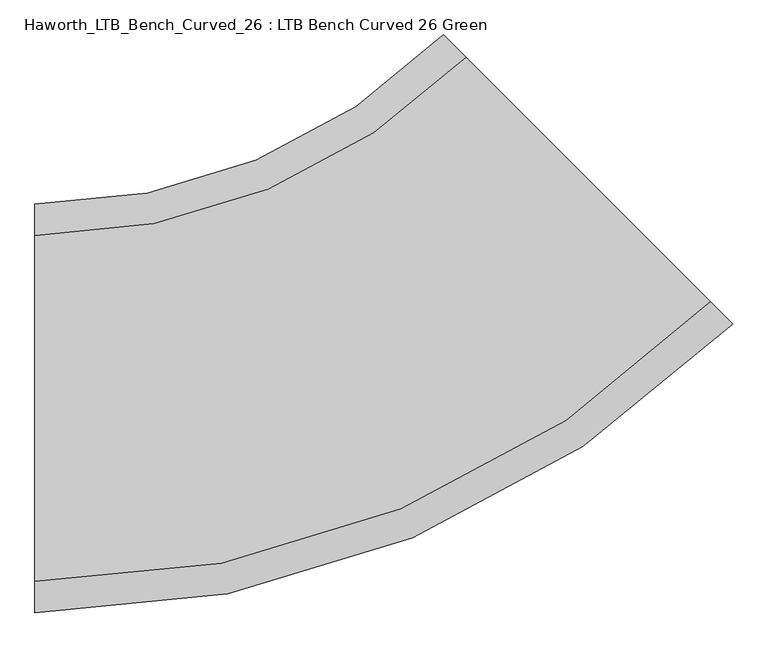
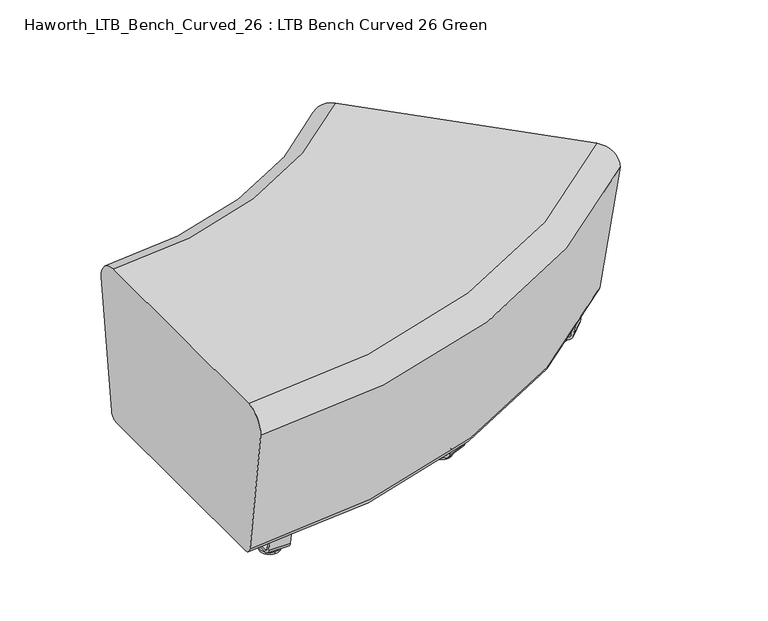
"""IFC4 building model written with IfcOpenShell, lengths in millimetres: furniture geometry, Haworth_LTB_Bench_Curved_26 : LTB Bench Curved 26 Green."""

from ifc_helpers import new_model, si_unit, point, frame, frame_2d, origin, place, context, project, spatial, polyline, circle_curve, ellipse_curve, trimmed, segment, composite_curve, outline, extrude, source, transform, mapped, element, save
from ifc_brep_helpers import plane_surface, cylinder_surface, revolved_surface, advanced_brep


def haworth_ltb_bench_curved_26_ltb_bench_curved_26_green_5fcd3b9e(model_context):
    return source(origin(), model_context, "Body", "SolidModel", [
        advanced_brep(
        [(389.9431514, 298.4142763, 7.8133431), (391.1807584, 295.4264285, 7.8133431), (385.0604846, 310.2020767, 7.8133431), (386.2980917, 307.2142289, 7.8133431), (396.5162663, 282.5453731, 4.0775), (379.7249767, 323.0831321, 4.0775), (396.3591551, 282.924673, 0.0), (379.8820879, 322.7038322, 0.0), (388.1206215, 302.8142526, 0.0), (388.1206215, 302.8142526, 50.0000004), (389.9431514, 298.4142763, 50.0000004), (386.2980917, 307.2142289, 50.0000004)],
        [
            (0, 1),
            (1, 2, circle_curve(frame((388.1206215, 302.8142526, 7.8133431), z_axis=(0.0, 0.0, 1.0), x_axis=(-0.38268343236511054, 0.9238795325112782, 0.0)), 7.9965232)),
            (2, 3),
            (3, 0, circle_curve(frame((388.1206215, 302.8142526, 7.8133431), z_axis=(0.0, 0.0, -1.0), x_axis=(-0.38268343236511054, 0.9238795325112782, 0.0)), 4.7625)),
            (2, 1, circle_curve(frame((388.1206215, 302.8142526, 7.8133431), z_axis=(0.0, 0.0, 1.0), x_axis=(-0.38268343236511054, 0.9238795325112782, 0.0)), 7.9965232)),
            (0, 3, circle_curve(frame((388.1206215, 302.8142526, 7.8133431), z_axis=(0.0, 0.0, -1.0), x_axis=(-0.38268343236511054, 0.9238795325112782, 0.0)), 4.7625)),
            (1, 4),
            (4, 5, circle_curve(frame((388.1206215, 302.8142526, 4.0775), z_axis=(0.0, 0.0, 1.0), x_axis=(-0.38268343236511054, 0.9238795325112782, 0.0)), 21.9388771)),
            (5, 2),
            (5, 4, circle_curve(frame((388.1206215, 302.8142526, 4.0775), z_axis=(0.0, 0.0, 1.0), x_axis=(-0.38268343236511054, 0.9238795325112782, 0.0)), 21.9388771)),
            (4, 6, circle_curve(frame((396.3106416, 283.041795, 2.0721829), z_axis=(0.923879532511277, 0.38268343236511354, 0.0), x_axis=(-0.38268343236511354, 0.923879532511277, 0.0)), 2.0760571)),
            (6, 7, circle_curve(frame((388.1206215, 302.8142526, 0.0), z_axis=(0.0, 0.0, 1.0), x_axis=(-0.38268343236511054, 0.9238795325112782, 0.0)), 21.5283258)),
            (7, 5, circle_curve(frame((379.9306014, 322.5867102, 2.0721829), z_axis=(0.9238795325112782, 0.38268343236511054, 0.0), x_axis=(0.38268343236511054, -0.9238795325112782, 0.0)), 2.0760571)),
            (7, 6, circle_curve(frame((388.1206215, 302.8142526, 0.0), z_axis=(0.0, 0.0, 1.0), x_axis=(-0.38268343236511054, 0.9238795325112782, 0.0)), 21.5283258)),
            (6, 8),
            (8, 7),
            (9, 10),
            (10, 11, circle_curve(frame((388.1206215, 302.8142526, 50.0000004), z_axis=(0.0, 0.0, 1.0), x_axis=(-0.38268343236511054, 0.9238795325112782, 0.0)), 4.7625)),
            (11, 9),
            (11, 10, circle_curve(frame((388.1206215, 302.8142526, 50.0000004), z_axis=(0.0, 0.0, 1.0), x_axis=(-0.38268343236511054, 0.9238795325112782, 0.0)), 4.7625)),
            (10, 0),
            (3, 11),
        ],
        [
            plane_surface(frame((388.1206215, 302.8142526, 7.8133431), z_axis=(0.0, 0.0, 1.0), x_axis=(-0.38268343236511054, 0.9238795325112782, 0.0))),
            revolved_surface(polyline([(379.7249767, 323.0831321, 4.0775), (385.0604846, 310.2020767, 7.8133431)]), (388.1206215, 302.8142526, 0.0), (0.0, 0.0, 1.0)),
            revolved_surface(trimmed(ellipse_curve(frame((379.9306014, 322.5867102, 2.0721829), z_axis=(0.9238795325112782, 0.38268343236511054, 0.0), x_axis=(0.38268343236511054, -0.9238795325112782, 0.0)), 2.0760571, 2.0760571), [point((379.8820879, 322.7038322, 0.0))], [point((379.7249767, 323.0831321, 4.0775))], True, "CARTESIAN"), (388.1206215, 302.8142526, 0.0), (0.0, 0.0, 1.0)),
            plane_surface(frame((388.1206215, 302.8142526, 0.0), z_axis=(0.0, 0.0, -1.0), x_axis=(-0.38268343236511054, 0.9238795325112782, 0.0))),
            plane_surface(frame((388.1206215, 302.8142526, 50.0000004), z_axis=(0.0, 0.0, 1.0), x_axis=(-0.38268343236511054, 0.9238795325112782, 0.0))),
            cylinder_surface(frame((388.1206215, 302.8142526, 0.0), z_axis=(0.0, 0.0, 1.0), x_axis=(-0.38268343236511054, 0.9238795325112782, 0.0)), 4.7625),
        ],
        [
            (0, [[1, 2, 3, 4]]),
            (0, [[-3, 5, -1, 6]]),
            (1, [[7, 8, 9, -2]]),
            (1, [[-9, 10, -7, -5]]),
            (2, [[11, 12, 13, -8]]),
            (2, [[-13, 14, -11, -10]]),
            (3, [[15, 16, -12]]),
            (3, [[-16, -15, -14]]),
            (4, [[17, 18, 19]]),
            (4, [[-19, 20, -17]]),
            (5, [[21, -4, 22, -18]]),
            (5, [[-22, -6, -21, -20]]),
        ],
    ),
        advanced_brep(
        [(552.705699, -94.5292735, 7.8133431), (553.9433061, -97.5171213, 7.8133431), (557.5883658, -106.3170739, 7.8133431), (558.8259728, -109.3049217, 7.8133431), (547.3701911, -81.6482181, 4.0775), (564.1614807, -122.1859771, 4.0775), (547.5273023, -82.027518, 0.0), (564.0043695, -121.8066772, 0.0), (555.7658359, -101.9170976, 0.0), (553.9433061, -97.5171213, 50.0000004), (555.7658359, -101.9170976, 50.0000004), (557.5883658, -106.3170739, 50.0000004)],
        [
            (0, 1),
            (1, 2, circle_curve(frame((555.7658359, -101.9170976, 7.8133431), z_axis=(0.0, 0.0, -1.0), x_axis=(0.3826834323651135, -0.923879532511277, 0.0)), 4.7625)),
            (2, 3),
            (3, 0, circle_curve(frame((555.7658359, -101.9170976, 7.8133431), z_axis=(0.0, 0.0, 1.0), x_axis=(0.3826834323651135, -0.923879532511277, 0.0)), 7.9965232)),
            (2, 1, circle_curve(frame((555.7658359, -101.9170976, 7.8133431), z_axis=(0.0, 0.0, -1.0), x_axis=(0.3826834323651135, -0.923879532511277, 0.0)), 4.7625)),
            (0, 3, circle_curve(frame((555.7658359, -101.9170976, 7.8133431), z_axis=(0.0, 0.0, 1.0), x_axis=(0.3826834323651135, -0.923879532511277, 0.0)), 7.9965232)),
            (4, 0),
            (3, 5),
            (5, 4, circle_curve(frame((555.7658359, -101.9170976, 4.0775), z_axis=(0.0, 0.0, 1.0), x_axis=(0.3826834323651135, -0.923879532511277, 0.0)), 21.9388771)),
            (4, 5, circle_curve(frame((555.7658359, -101.9170976, 4.0775), z_axis=(0.0, 0.0, 1.0), x_axis=(0.3826834323651135, -0.923879532511277, 0.0)), 21.9388771)),
            (6, 4, circle_curve(frame((547.5758158, -82.14464, 2.0721829), z_axis=(0.9238795325112782, 0.3826834323651105, 0.0), x_axis=(0.3826834323651105, -0.9238795325112782, 0.0)), 2.0760571)),
            (5, 7, circle_curve(frame((563.955856, -121.6895552, 2.0721829), z_axis=(0.923879532511277, 0.3826834323651135, 0.0), x_axis=(-0.3826834323651135, 0.923879532511277, 0.0)), 2.0760571)),
            (7, 6, circle_curve(frame((555.7658359, -101.9170976, 0.0), z_axis=(0.0, 0.0, 1.0), x_axis=(0.3826834323651135, -0.923879532511277, 0.0)), 21.5283258)),
            (6, 7, circle_curve(frame((555.7658359, -101.9170976, 0.0), z_axis=(0.0, 0.0, 1.0), x_axis=(0.3826834323651135, -0.923879532511277, 0.0)), 21.5283258)),
            (8, 6),
            (7, 8),
            (9, 10),
            (10, 11),
            (11, 9, circle_curve(frame((555.7658359, -101.9170976, 50.0000004), z_axis=(0.0, 0.0, 1.0), x_axis=(0.3826834323651135, -0.923879532511277, 0.0)), 4.7625)),
            (9, 11, circle_curve(frame((555.7658359, -101.9170976, 50.0000004), z_axis=(0.0, 0.0, 1.0), x_axis=(0.3826834323651135, -0.923879532511277, 0.0)), 4.7625)),
            (1, 9),
            (11, 2),
        ],
        [
            plane_surface(frame((555.7658359, -101.9170976, 7.8133431), z_axis=(0.0, 0.0, 1.0), x_axis=(0.3826834323651135, -0.923879532511277, 0.0))),
            revolved_surface(polyline([(558.8259728, -109.3049217, 7.8133431), (564.1614807, -122.1859771, 4.0775)]), (555.7658359, -101.9170976, 0.0), (0.0, 0.0, -1.0)),
            revolved_surface(trimmed(ellipse_curve(frame((563.955856, -121.6895552, 2.0721829), z_axis=(0.923879532511277, 0.3826834323651135, 0.0), x_axis=(-0.3826834323651135, 0.923879532511277, 0.0)), 2.0760571, 2.0760571), [point((564.1614807, -122.1859771, 4.0775))], [point((564.0043695, -121.8066772, 0.0))], True, "CARTESIAN"), (555.7658359, -101.9170976, 0.0), (0.0, 0.0, -1.0)),
            plane_surface(frame((555.7658359, -101.9170976, 0.0), z_axis=(0.0, 0.0, -1.0), x_axis=(0.3826834323651135, -0.923879532511277, 0.0))),
            plane_surface(frame((555.7658359, -101.9170976, 50.0000004), z_axis=(0.0, 0.0, 1.0), x_axis=(0.3826834323651135, -0.923879532511277, 0.0))),
            cylinder_surface(frame((555.7658359, -101.9170976, 0.0), z_axis=(0.0, 0.0, -1.0), x_axis=(0.3826834323651135, -0.923879532511277, 0.0)), 4.7625),
        ],
        [
            (0, [[1, 2, 3, 4]]),
            (0, [[-3, 5, -1, 6]]),
            (1, [[7, -4, 8, 9]]),
            (1, [[-8, -6, -7, 10]]),
            (2, [[11, -9, 12, 13]]),
            (2, [[-12, -10, -11, 14]]),
            (3, [[15, -13, 16]]),
            (3, [[-16, -14, -15]]),
            (4, [[17, 18, 19]]),
            (4, [[-18, -17, 20]]),
            (5, [[21, -19, 22, -2]]),
            (5, [[-22, -20, -21, -5]]),
        ],
    ),
        extrude(outline(composite_curve([segment(polyline([(0.0, 0.0), (1.1e-06, 5.6900075), (35.4274256, 5.6900006)]), True, "CONTINUOUS"), segment(trimmed(circle_curve(frame_2d((35.4274274, 15.0000026)), 9.310002), [point((35.4274256, 5.6900006))], [point((44.6468251, 13.7043008))], True, "CARTESIAN"), True, "CONTINUOUS"), segment(polyline([(44.6468251, 13.7043008), (112.8503596, 498.9976978)]), True, "CONTINUOUS"), segment(trimmed(circle_curve(frame_2d((103.6309619, 500.2933995)), 9.310002), [point((112.8503596, 498.9976978))], [point((106.1971444, 509.2427484))], True, "CARTESIAN"), True, "CONTINUOUS"), segment(polyline([(106.1971444, 509.2427484), (72.1421162, 519.0078628), (73.7104936, 524.4774494), (107.765524, 514.7123272)]), True, "CONTINUOUS"), segment(trimmed(circle_curve(frame_2d((103.6309637, 500.2934007)), 15.000001), [point((107.765524, 514.7123272))], [point((118.4849857, 498.2058042))], False, "CARTESIAN"), True, "CONTINUOUS"), segment(polyline([(118.4849857, 498.2058042), (50.2814508, 12.9124045)]), True, "CONTINUOUS"), segment(trimmed(circle_curve(frame_2d((35.4274288, 15.000001)), 15.000001), [point((50.2814508, 12.9124045))], [point((35.4274288, 0.0))], False, "CARTESIAN"), True, "CONTINUOUS"), segment(polyline([(35.4274288, 0.0), (0.0, 0.0)]), True, "CONTINUOUS")], self_intersect=False)), frame((549.817344, -153.9295664, 62.9950557), z_axis=(0.9238795325112771, 0.38268343236511354, 0.0), x_axis=(-0.053259236495432585, 0.12857917106890013, -0.9902680700169819)), (0.0, 0.0, 1.0), 50.8),
        advanced_brep(
        [(662.5433137, 445.7133567, 7.8133431), (664.8301134, 443.426557, 7.8133431), (653.5213219, 454.7353485, 7.8133431), (655.8081216, 452.4485488, 7.8133431), (674.6888464, 433.567824, 4.0775), (643.6625889, 464.5940815, 4.0775), (674.3985428, 433.8581276, 0.0), (643.9528925, 464.3037779, 0.0), (659.1757176, 449.0809528, 0.0), (659.1757176, 449.0809528, 50.0000004), (662.5433137, 445.7133567, 50.0000004), (655.8081216, 452.4485488, 50.0000004)],
        [
            (0, 1),
            (1, 2, circle_curve(frame((659.1757176, 449.0809528, 7.8133431), z_axis=(0.0, 0.0, 1.0), x_axis=(-0.7071067811865458, 0.7071067811865493, 0.0)), 7.9965232)),
            (2, 3),
            (3, 0, circle_curve(frame((659.1757176, 449.0809528, 7.8133431), z_axis=(0.0, 0.0, -1.0), x_axis=(-0.7071067811865458, 0.7071067811865493, 0.0)), 4.7625)),
            (2, 1, circle_curve(frame((659.1757176, 449.0809528, 7.8133431), z_axis=(0.0, 0.0, 1.0), x_axis=(-0.7071067811865458, 0.7071067811865493, 0.0)), 7.9965232)),
            (0, 3, circle_curve(frame((659.1757176, 449.0809528, 7.8133431), z_axis=(0.0, 0.0, -1.0), x_axis=(-0.7071067811865458, 0.7071067811865493, 0.0)), 4.7625)),
            (1, 4),
            (4, 5, circle_curve(frame((659.1757176, 449.0809528, 4.0775), z_axis=(0.0, 0.0, 1.0), x_axis=(-0.7071067811865458, 0.7071067811865493, 0.0)), 21.9388771)),
            (5, 2),
            (5, 4, circle_curve(frame((659.1757176, 449.0809528, 4.0775), z_axis=(0.0, 0.0, 1.0), x_axis=(-0.7071067811865458, 0.7071067811865493, 0.0)), 21.9388771)),
            (4, 6, circle_curve(frame((674.3089015, 433.9477689, 2.0721829), z_axis=(0.707106781186547, 0.7071067811865481, 0.0), x_axis=(-0.7071067811865481, 0.707106781186547, 0.0)), 2.0760571)),
            (6, 7, circle_curve(frame((659.1757176, 449.0809528, 0.0), z_axis=(0.0, 0.0, 1.0), x_axis=(-0.7071067811865458, 0.7071067811865493, 0.0)), 21.5283258)),
            (7, 5, circle_curve(frame((644.0425338, 464.2141367, 2.0721829), z_axis=(0.7071067811865493, 0.7071067811865458, 0.0), x_axis=(0.7071067811865458, -0.7071067811865493, 0.0)), 2.0760571)),
            (7, 6, circle_curve(frame((659.1757176, 449.0809528, 0.0), z_axis=(0.0, 0.0, 1.0), x_axis=(-0.7071067811865458, 0.7071067811865493, 0.0)), 21.5283258)),
            (6, 8),
            (8, 7),
            (9, 10),
            (10, 11, circle_curve(frame((659.1757176, 449.0809528, 50.0000004), z_axis=(0.0, 0.0, 1.0), x_axis=(-0.7071067811865458, 0.7071067811865493, 0.0)), 4.7625)),
            (11, 9),
            (11, 10, circle_curve(frame((659.1757176, 449.0809528, 50.0000004), z_axis=(0.0, 0.0, 1.0), x_axis=(-0.7071067811865458, 0.7071067811865493, 0.0)), 4.7625)),
            (10, 0),
            (3, 11),
        ],
        [
            plane_surface(frame((659.1757176, 449.0809528, 7.8133431), z_axis=(0.0, 0.0, 1.0), x_axis=(-0.7071067811865458, 0.7071067811865493, 0.0))),
            revolved_surface(polyline([(643.6625889, 464.5940815, 4.0775), (653.5213219, 454.7353485, 7.8133431)]), (659.1757176, 449.0809528, 0.0), (0.0, 0.0, 1.0)),
            revolved_surface(trimmed(ellipse_curve(frame((644.0425338, 464.2141367, 2.0721829), z_axis=(0.7071067811865493, 0.7071067811865458, 0.0), x_axis=(0.7071067811865458, -0.7071067811865493, 0.0)), 2.0760571, 2.0760571), [point((643.9528925, 464.3037779, 0.0))], [point((643.6625889, 464.5940815, 4.0775))], True, "CARTESIAN"), (659.1757176, 449.0809528, 0.0), (0.0, 0.0, 1.0)),
            plane_surface(frame((659.1757176, 449.0809528, 0.0), z_axis=(0.0, 0.0, -1.0), x_axis=(-0.7071067811865458, 0.7071067811865493, 0.0))),
            plane_surface(frame((659.1757176, 449.0809528, 50.0000004), z_axis=(0.0, 0.0, 1.0), x_axis=(-0.7071067811865458, 0.7071067811865493, 0.0))),
            cylinder_surface(frame((659.1757176, 449.0809528, 0.0), z_axis=(0.0, 0.0, 1.0), x_axis=(-0.7071067811865458, 0.7071067811865493, 0.0)), 4.7625),
        ],
        [
            (0, [[1, 2, 3, 4]]),
            (0, [[-3, 5, -1, 6]]),
            (1, [[7, 8, 9, -2]]),
            (1, [[-9, 10, -7, -5]]),
            (2, [[11, 12, 13, -8]]),
            (2, [[-13, 14, -11, -10]]),
            (3, [[15, 16, -12]]),
            (3, [[-16, -15, -14]]),
            (4, [[17, 18, 19]]),
            (4, [[-19, 20, -17]]),
            (5, [[21, -4, 22, -18]]),
            (5, [[-22, -6, -21, -20]]),
        ],
    ),
        advanced_brep(
        [(963.2892865, 144.9673839, 7.8133431), (965.5760862, 142.6805842, 7.8133431), (972.3112783, 135.9453921, 7.8133431), (974.598078, 133.6585924, 7.8133431), (953.4305535, 154.8261169, 4.0775), (984.456811, 123.7998594, 4.0775), (953.7208571, 154.5358134, 0.0), (984.1665074, 124.090163, 0.0), (968.9436822, 139.3129882, 0.0), (965.5760862, 142.6805842, 50.0000004), (968.9436822, 139.3129882, 50.0000004), (972.3112783, 135.9453921, 50.0000004)],
        [
            (0, 1),
            (1, 2, circle_curve(frame((968.9436822, 139.3129882, 7.8133431), z_axis=(0.0, 0.0, -1.0), x_axis=(0.707106781186548, -0.7071067811865471, 0.0)), 4.7625)),
            (2, 3),
            (3, 0, circle_curve(frame((968.9436822, 139.3129882, 7.8133431), z_axis=(0.0, 0.0, 1.0), x_axis=(0.707106781186548, -0.7071067811865471, 0.0)), 7.9965232)),
            (2, 1, circle_curve(frame((968.9436822, 139.3129882, 7.8133431), z_axis=(0.0, 0.0, -1.0), x_axis=(0.707106781186548, -0.7071067811865471, 0.0)), 4.7625)),
            (0, 3, circle_curve(frame((968.9436822, 139.3129882, 7.8133431), z_axis=(0.0, 0.0, 1.0), x_axis=(0.707106781186548, -0.7071067811865471, 0.0)), 7.9965232)),
            (4, 0),
            (3, 5),
            (5, 4, circle_curve(frame((968.9436822, 139.3129882, 4.0775), z_axis=(0.0, 0.0, 1.0), x_axis=(0.707106781186548, -0.7071067811865471, 0.0)), 21.9388771)),
            (4, 5, circle_curve(frame((968.9436822, 139.3129882, 4.0775), z_axis=(0.0, 0.0, 1.0), x_axis=(0.707106781186548, -0.7071067811865471, 0.0)), 21.9388771)),
            (6, 4, circle_curve(frame((953.8104984, 154.4461721, 2.0721829), z_axis=(0.7071067811865495, 0.7071067811865457, 0.0), x_axis=(0.7071067811865457, -0.7071067811865495, 0.0)), 2.0760571)),
            (5, 7, circle_curve(frame((984.0768661, 124.1798043, 2.0721829), z_axis=(0.7071067811865471, 0.707106781186548, 0.0), x_axis=(-0.707106781186548, 0.7071067811865471, 0.0)), 2.0760571)),
            (7, 6, circle_curve(frame((968.9436822, 139.3129882, 0.0), z_axis=(0.0, 0.0, 1.0), x_axis=(0.707106781186548, -0.7071067811865471, 0.0)), 21.5283258)),
            (6, 7, circle_curve(frame((968.9436822, 139.3129882, 0.0), z_axis=(0.0, 0.0, 1.0), x_axis=(0.707106781186548, -0.7071067811865471, 0.0)), 21.5283258)),
            (8, 6),
            (7, 8),
            (9, 10),
            (10, 11),
            (11, 9, circle_curve(frame((968.9436822, 139.3129882, 50.0000004), z_axis=(0.0, 0.0, 1.0), x_axis=(0.707106781186548, -0.7071067811865471, 0.0)), 4.7625)),
            (9, 11, circle_curve(frame((968.9436822, 139.3129882, 50.0000004), z_axis=(0.0, 0.0, 1.0), x_axis=(0.707106781186548, -0.7071067811865471, 0.0)), 4.7625)),
            (1, 9),
            (11, 2),
        ],
        [
            plane_surface(frame((968.9436822, 139.3129882, 7.8133431), z_axis=(0.0, 0.0, 1.0), x_axis=(0.707106781186548, -0.7071067811865471, 0.0))),
            revolved_surface(polyline([(974.598078, 133.6585924, 7.8133431), (984.456811, 123.7998594, 4.0775)]), (968.9436822, 139.3129882, 0.0), (0.0, 0.0, -1.0)),
            revolved_surface(trimmed(ellipse_curve(frame((984.0768661, 124.1798043, 2.0721829), z_axis=(0.7071067811865471, 0.707106781186548, 0.0), x_axis=(-0.707106781186548, 0.7071067811865471, 0.0)), 2.0760571, 2.0760571), [point((984.456811, 123.7998594, 4.0775))], [point((984.1665074, 124.090163, 0.0))], True, "CARTESIAN"), (968.9436822, 139.3129882, 0.0), (0.0, 0.0, -1.0)),
            plane_surface(frame((968.9436822, 139.3129882, 0.0), z_axis=(0.0, 0.0, -1.0), x_axis=(0.707106781186548, -0.7071067811865471, 0.0))),
            plane_surface(frame((968.9436822, 139.3129882, 50.0000004), z_axis=(0.0, 0.0, 1.0), x_axis=(0.707106781186548, -0.7071067811865471, 0.0))),
            cylinder_surface(frame((968.9436822, 139.3129882, 0.0), z_axis=(0.0, 0.0, -1.0), x_axis=(0.707106781186548, -0.7071067811865471, 0.0)), 4.7625),
        ],
        [
            (0, [[1, 2, 3, 4]]),
            (0, [[-3, 5, -1, 6]]),
            (1, [[7, -4, 8, 9]]),
            (1, [[-8, -6, -7, 10]]),
            (2, [[11, -9, 12, 13]]),
            (2, [[-12, -10, -11, 14]]),
            (3, [[15, -13, 16]]),
            (3, [[-16, -14, -15]]),
            (4, [[17, 18, 19]]),
            (4, [[-18, -17, 20]]),
            (5, [[21, -19, 22, -2]]),
            (5, [[-22, -20, -21, -5]]),
        ],
    ),
        extrude(outline(composite_curve([segment(polyline([(0.0, 0.0), (1.1e-06, 5.6900074), (35.4274256, 5.6900006)]), True, "CONTINUOUS"), segment(trimmed(circle_curve(frame_2d((35.4274274, 15.0000027)), 9.310002), [point((35.4274256, 5.6900006))], [point((44.6468251, 13.7043009))], True, "CARTESIAN"), True, "CONTINUOUS"), segment(polyline([(44.6468251, 13.7043009), (112.8503596, 498.9976978)]), True, "CONTINUOUS"), segment(trimmed(circle_curve(frame_2d((103.6309619, 500.2933995)), 9.310002), [point((112.8503596, 498.9976978))], [point((106.1971444, 509.2427484))], True, "CARTESIAN"), True, "CONTINUOUS"), segment(polyline([(106.1971444, 509.2427484), (72.1421162, 519.0078628), (73.7104936, 524.4774494), (107.765524, 514.7123272)]), True, "CONTINUOUS"), segment(trimmed(circle_curve(frame_2d((103.6309637, 500.2934007)), 15.000001), [point((107.765524, 514.7123272))], [point((118.4849858, 498.2058042))], False, "CARTESIAN"), True, "CONTINUOUS"), segment(polyline([(118.4849858, 498.2058042), (50.2814508, 12.9124045)]), True, "CONTINUOUS"), segment(trimmed(circle_curve(frame_2d((35.4274288, 15.000001)), 15.000001), [point((50.2814508, 12.9124045))], [point((35.4274288, 0.0))], False, "CARTESIAN"), True, "CONTINUOUS"), segment(polyline([(35.4274288, 0.0), (0.0, 0.0)]), True, "CONTINUOUS")], self_intersect=False)), frame((983.3523024, 88.9833435, 62.9950557), z_axis=(0.7071067811865471, 0.707106781186548, 0.0), x_axis=(-0.09841023703061023, 0.09841023703061011, -0.9902680700169819)), (0.0, 0.0, 1.0), 50.8),
        advanced_brep(
        [(82.4954642, 214.2765284, 7.8133431), (82.4954642, 211.0425052, 7.8133431), (82.4954642, 227.0355515, 7.8133431), (82.4954642, 223.8015284, 7.8133431), (82.4954642, 197.1001513, 4.0775), (82.4954642, 240.9779054, 4.0775), (82.4954642, 197.5107026, 0.0), (82.4954642, 240.5673542, 0.0), (82.4954642, 219.0390284, 0.0), (82.4954642, 219.0390284, 50.0000004), (82.4954642, 214.2765284, 50.0000004), (82.4954642, 223.8015284, 50.0000004)],
        [
            (0, 1),
            (1, 2, circle_curve(frame((82.4954642, 219.0390284, 7.8133431), z_axis=(0.0, 0.0, 1.0), x_axis=(0.0, 1.0, 0.0)), 7.9965232)),
            (2, 3),
            (3, 0, circle_curve(frame((82.4954642, 219.0390284, 7.8133431), z_axis=(0.0, 0.0, -1.0), x_axis=(0.0, 1.0, 0.0)), 4.7625)),
            (2, 1, circle_curve(frame((82.4954642, 219.0390284, 7.8133431), z_axis=(0.0, 0.0, 1.0), x_axis=(0.0, 1.0, 0.0)), 7.9965232)),
            (0, 3, circle_curve(frame((82.4954642, 219.0390284, 7.8133431), z_axis=(0.0, 0.0, -1.0), x_axis=(0.0, 1.0, 0.0)), 4.7625)),
            (1, 4),
            (4, 5, circle_curve(frame((82.4954642, 219.0390284, 4.0775), z_axis=(0.0, 0.0, 1.0), x_axis=(0.0, 1.0, 0.0)), 21.9388771)),
            (5, 2),
            (5, 4, circle_curve(frame((82.4954642, 219.0390284, 4.0775), z_axis=(0.0, 0.0, 1.0), x_axis=(0.0, 1.0, 0.0)), 21.9388771)),
            (4, 6, circle_curve(frame((82.4954642, 197.6374745, 2.0721829), z_axis=(1.0, 0.0, 0.0), x_axis=(0.0, 1.0, 0.0)), 2.0760571)),
            (6, 7, circle_curve(frame((82.4954642, 219.0390284, 0.0), z_axis=(0.0, 0.0, 1.0), x_axis=(0.0, 1.0, 0.0)), 21.5283258)),
            (7, 5, circle_curve(frame((82.4954642, 240.4405822, 2.0721829), z_axis=(1.0, 0.0, 0.0), x_axis=(0.0, -1.0, 0.0)), 2.0760571)),
            (7, 6, circle_curve(frame((82.4954642, 219.0390284, 0.0), z_axis=(0.0, 0.0, 1.0), x_axis=(0.0, 1.0, 0.0)), 21.5283258)),
            (6, 8),
            (8, 7),
            (9, 10),
            (10, 11, circle_curve(frame((82.4954642, 219.0390284, 50.0000004), z_axis=(0.0, 0.0, 1.0), x_axis=(0.0, 1.0, 0.0)), 4.7625)),
            (11, 9),
            (11, 10, circle_curve(frame((82.4954642, 219.0390284, 50.0000004), z_axis=(0.0, 0.0, 1.0), x_axis=(0.0, 1.0, 0.0)), 4.7625)),
            (10, 0),
            (3, 11),
        ],
        [
            plane_surface(frame((82.4954642, 219.0390284, 7.8133431), z_axis=(0.0, 0.0, 1.0), x_axis=(0.0, 1.0, 0.0))),
            revolved_surface(polyline([(82.4954642, 240.9779054, 4.0775), (82.4954642, 227.0355515, 7.8133431)]), (82.4954642, 219.0390284, 0.0), (0.0, 0.0, 1.0)),
            revolved_surface(trimmed(ellipse_curve(frame((82.4954642, 240.4405822, 2.0721829), z_axis=(1.0, 0.0, 0.0), x_axis=(0.0, -1.0, 0.0)), 2.0760571, 2.0760571), [point((82.4954642, 240.5673542, 0.0))], [point((82.4954642, 240.9779054, 4.0775))], True, "CARTESIAN"), (82.4954642, 219.0390284, 0.0), (0.0, 0.0, 1.0)),
            plane_surface(frame((82.4954642, 219.0390284, 0.0), z_axis=(0.0, 0.0, -1.0), x_axis=(0.0, 1.0, 0.0))),
            plane_surface(frame((82.4954642, 219.0390284, 50.0000004), z_axis=(0.0, 0.0, 1.0), x_axis=(0.0, 1.0, 0.0))),
            cylinder_surface(frame((82.4954642, 219.0390284, 0.0), z_axis=(0.0, 0.0, 1.0), x_axis=(0.0, 1.0, 0.0)), 4.7625),
        ],
        [
            (0, [[1, 2, 3, 4]]),
            (0, [[-3, 5, -1, 6]]),
            (1, [[7, 8, 9, -2]]),
            (1, [[-9, 10, -7, -5]]),
            (2, [[11, 12, 13, -8]]),
            (2, [[-13, 14, -11, -10]]),
            (3, [[15, 16, -12]]),
            (3, [[-16, -15, -14]]),
            (4, [[17, 18, 19]]),
            (4, [[-19, 20, -17]]),
            (5, [[21, -4, 22, -18]]),
            (5, [[-22, -6, -21, -20]]),
        ],
    ),
        advanced_brep(
        [(82.4954642, -211.0425052, 7.8133431), (82.4954642, -214.2765284, 7.8133431), (82.4954642, -223.8015284, 7.8133431), (82.4954642, -227.0355515, 7.8133431), (82.4954642, -197.1001513, 4.0775), (82.4954642, -240.9779054, 4.0775), (82.4954642, -197.5107026, 0.0), (82.4954642, -240.5673542, 0.0), (82.4954642, -219.0390284, 0.0), (82.4954642, -214.2765284, 50.0000004), (82.4954642, -219.0390284, 50.0000004), (82.4954642, -223.8015284, 50.0000004)],
        [
            (0, 1),
            (1, 2, circle_curve(frame((82.4954642, -219.0390284, 7.8133431), z_axis=(0.0, 0.0, -1.0), x_axis=(0.0, -1.0, 0.0)), 4.7625)),
            (2, 3),
            (3, 0, circle_curve(frame((82.4954642, -219.0390284, 7.8133431), z_axis=(0.0, 0.0, 1.0), x_axis=(0.0, -1.0, 0.0)), 7.9965232)),
            (2, 1, circle_curve(frame((82.4954642, -219.0390284, 7.8133431), z_axis=(0.0, 0.0, -1.0), x_axis=(0.0, -1.0, 0.0)), 4.7625)),
            (0, 3, circle_curve(frame((82.4954642, -219.0390284, 7.8133431), z_axis=(0.0, 0.0, 1.0), x_axis=(0.0, -1.0, 0.0)), 7.9965232)),
            (4, 0),
            (3, 5),
            (5, 4, circle_curve(frame((82.4954642, -219.0390284, 4.0775), z_axis=(0.0, 0.0, 1.0), x_axis=(0.0, -1.0, 0.0)), 21.9388771)),
            (4, 5, circle_curve(frame((82.4954642, -219.0390284, 4.0775), z_axis=(0.0, 0.0, 1.0), x_axis=(0.0, -1.0, 0.0)), 21.9388771)),
            (6, 4, circle_curve(frame((82.4954642, -197.6374745, 2.0721829), z_axis=(1.0, 0.0, 0.0), x_axis=(0.0, -1.0, 0.0)), 2.0760571)),
            (5, 7, circle_curve(frame((82.4954642, -240.4405822, 2.0721829), z_axis=(1.0, 0.0, 0.0), x_axis=(0.0, 1.0, 0.0)), 2.0760571)),
            (7, 6, circle_curve(frame((82.4954642, -219.0390284, 0.0), z_axis=(0.0, 0.0, 1.0), x_axis=(0.0, -1.0, 0.0)), 21.5283258)),
            (6, 7, circle_curve(frame((82.4954642, -219.0390284, 0.0), z_axis=(0.0, 0.0, 1.0), x_axis=(0.0, -1.0, 0.0)), 21.5283258)),
            (8, 6),
            (7, 8),
            (9, 10),
            (10, 11),
            (11, 9, circle_curve(frame((82.4954642, -219.0390284, 50.0000004), z_axis=(0.0, 0.0, 1.0), x_axis=(0.0, -1.0, 0.0)), 4.7625)),
            (9, 11, circle_curve(frame((82.4954642, -219.0390284, 50.0000004), z_axis=(0.0, 0.0, 1.0), x_axis=(0.0, -1.0, 0.0)), 4.7625)),
            (1, 9),
            (11, 2),
        ],
        [
            plane_surface(frame((82.4954642, -219.0390284, 7.8133431), z_axis=(0.0, 0.0, 1.0), x_axis=(0.0, -1.0, 0.0))),
            revolved_surface(polyline([(82.4954642, -227.0355515, 7.8133431), (82.4954642, -240.9779054, 4.0775)]), (82.4954642, -219.0390284, 0.0), (0.0, 0.0, -1.0)),
            revolved_surface(trimmed(ellipse_curve(frame((82.4954642, -240.4405822, 2.0721829), z_axis=(1.0, 0.0, 0.0), x_axis=(0.0, 1.0, 0.0)), 2.0760571, 2.0760571), [point((82.4954642, -240.9779054, 4.0775))], [point((82.4954642, -240.5673542, 0.0))], True, "CARTESIAN"), (82.4954642, -219.0390284, 0.0), (0.0, 0.0, -1.0)),
            plane_surface(frame((82.4954642, -219.0390284, 0.0), z_axis=(0.0, 0.0, -1.0), x_axis=(0.0, -1.0, 0.0))),
            plane_surface(frame((82.4954642, -219.0390284, 50.0000004), z_axis=(0.0, 0.0, 1.0), x_axis=(0.0, -1.0, 0.0))),
            cylinder_surface(frame((82.4954642, -219.0390284, 0.0), z_axis=(0.0, 0.0, -1.0), x_axis=(0.0, -1.0, 0.0)), 4.7625),
        ],
        [
            (0, [[1, 2, 3, 4]]),
            (0, [[-3, 5, -1, 6]]),
            (1, [[7, -4, 8, 9]]),
            (1, [[-8, -6, -7, 10]]),
            (2, [[11, -9, 12, 13]]),
            (2, [[-12, -10, -11, 14]]),
            (3, [[15, -13, 16]]),
            (3, [[-16, -14, -15]]),
            (4, [[17, 18, 19]]),
            (4, [[-18, -17, 20]]),
            (5, [[21, -19, 22, -2]]),
            (5, [[-22, -20, -21, -5]]),
        ],
    ),
        extrude(outline(composite_curve([segment(polyline([(-264.8158944, 62.9950557), (-259.1812615, 63.7869505), (-254.2507241, 28.7043023)]), True, "CONTINUOUS"), segment(trimmed(circle_curve(frame_2d((-245.0313262, 30.0000023)), 9.310002), [point((-254.2507241, 28.7043023))], [point((-245.0313262, 20.6900003))], True, "CARTESIAN"), True, "CONTINUOUS"), segment(polyline([(-245.0313262, 20.6900003), (245.0313262, 20.6900003)]), True, "CONTINUOUS"), segment(trimmed(circle_curve(frame_2d((245.0313262, 30.0000023)), 9.310002), [point((245.0313262, 20.6900003))], [point((254.2507241, 28.7043023))], True, "CARTESIAN"), True, "CONTINUOUS"), segment(polyline([(254.2507241, 28.7043023), (259.1812615, 63.7869505), (264.8158944, 62.9950557), (259.8853496, 27.9124042)]), True, "CONTINUOUS"), segment(trimmed(circle_curve(frame_2d((245.0313276, 30.0000007)), 15.000001), [point((259.8853496, 27.9124042))], [point((245.0313276, 14.9999997))], False, "CARTESIAN"), True, "CONTINUOUS"), segment(polyline([(245.0313276, 14.9999997), (-245.0313276, 14.9999997)]), True, "CONTINUOUS"), segment(trimmed(circle_curve(frame_2d((-245.0313276, 30.0000007)), 15.000001), [point((-245.0313276, 14.9999997))], [point((-259.8853496, 27.9124042))], False, "CARTESIAN"), True, "CONTINUOUS"), segment(polyline([(-259.8853496, 27.9124042), (-264.8158944, 62.9950557)]), True, "CONTINUOUS")], self_intersect=False)), frame((57.0954642, 0.0, 0.0), z_axis=(1.0, 0.0, 0.0), x_axis=(0.0, 1.0, 0.0)), (0.0, 0.0, 1.0), 50.8),
        advanced_brep(
        [(0.0, 326.1820603, 374.65), (0.0, 282.8601731, 66.3987528), (0.0, 263.9955663, 50.0000004), (0.0, -263.9955663, 50.0000004), (0.0, -282.8601731, 66.3987528), (0.0, -326.1820603, 374.65), (0.0, -276.2364582, 425.0000032), (0.0, 276.2364582, 425.0000032), (652.4485474, 596.4350974, 374.65), (687.7654214, 561.1182235, 425.0000032), (1078.422767, 170.4608778, 425.0000032), (1113.7396409, 135.1440039, 374.65), (1083.1064407, 165.7772042, 66.3987528), (1069.7671494, 179.1164955, 50.0000004), (696.421039, 552.4626058, 50.0000004), (683.0817477, 565.8018972, 66.3987528)],
        [
            (0, 1),
            (1, 2, circle_curve(frame((0.0, 263.9955663, 69.0500004), z_axis=(-1.0, 0.0, 0.0), x_axis=(0.0, 1.0, 0.0)), 19.05)),
            (2, 3),
            (3, 4, circle_curve(frame((0.0, -263.9955663, 69.0500004), z_axis=(-1.0, 0.0, 0.0), x_axis=(0.0, 1.0, 0.0)), 19.05)),
            (4, 5),
            (5, 6, circle_curve(frame((0.0, -276.2364582, 375.0527771), z_axis=(-1.0, 0.0, 0.0), x_axis=(0.0, 1.0, 0.0)), 49.9472261)),
            (6, 7),
            (7, 0, circle_curve(frame((0.0, 276.2364582, 375.0527771), z_axis=(-1.0, 0.0, 0.0), x_axis=(0.0, 1.0, 0.0)), 49.9472261)),
            (8, 9, circle_curve(frame((687.7654214, 561.1182235, 375.0527771), z_axis=(0.707106781186547, 0.707106781186548, 0.0), x_axis=(-0.707106781186548, 0.707106781186547, 0.0)), 49.9472261)),
            (9, 10),
            (10, 11, circle_curve(frame((1078.422767, 170.4608778, 375.0527771), z_axis=(0.707106781186547, 0.707106781186548, 0.0), x_axis=(-0.707106781186548, 0.707106781186547, 0.0)), 49.9472261)),
            (11, 12),
            (12, 13, circle_curve(frame((1069.7671494, 179.1164955, 69.0500004), z_axis=(0.707106781186547, 0.707106781186548, 0.0), x_axis=(-0.707106781186548, 0.707106781186547, 0.0)), 19.05)),
            (13, 14),
            (14, 15, circle_curve(frame((696.421039, 552.4626058, 69.0500004), z_axis=(0.707106781186547, 0.707106781186548, 0.0), x_axis=(-0.707106781186548, 0.707106781186547, 0.0)), 19.05)),
            (15, 8),
            (11, 5, circle_curve(frame((0.0, 1248.8836449, 374.65), z_axis=(0.0, 0.0, -1.0), x_axis=(0.0, -1.0, 0.0)), 1575.0657052)),
            (4, 12, circle_curve(frame((0.0, 1248.8836449, 66.3987528), z_axis=(0.0, 0.0, 1.0), x_axis=(0.0, -1.0, 0.0)), 1531.7438179)),
            (3, 13, circle_curve(frame((0.0, 1248.8836449, 50.0000004), z_axis=(0.0, 0.0, 1.0), x_axis=(0.0, -1.0, 0.0)), 1512.8792112)),
            (2, 14, circle_curve(frame((0.0, 1248.8836449, 50.0000004), z_axis=(0.0, 0.0, 1.0), x_axis=(0.0, -1.0, 0.0)), 984.8880785)),
            (1, 15, circle_curve(frame((0.0, 1248.8836449, 66.3987528), z_axis=(0.0, 0.0, 1.0), x_axis=(0.0, -1.0, 0.0)), 966.0234718)),
            (0, 8, circle_curve(frame((0.0, 1248.8836449, 374.65), z_axis=(0.0, 0.0, 1.0), x_axis=(0.0, -1.0, 0.0)), 922.7015845)),
            (7, 9, circle_curve(frame((0.0, 1248.8836449, 425.0000032), z_axis=(0.0, 0.0, 1.0), x_axis=(0.0, -1.0, 0.0)), 972.6471866)),
            (6, 10, circle_curve(frame((0.0, 1248.8836449, 425.0000032), z_axis=(0.0, 0.0, 1.0), x_axis=(0.0, -1.0, 0.0)), 1525.1201031)),
        ],
        [
            plane_surface(frame((0.0, 1248.8836449, 50.0000004), z_axis=(-1.0, 0.0, 0.0), x_axis=(0.0, -1.0, 0.0))),
            plane_surface(frame((0.0, 1248.8836449, 50.0000004), z_axis=(0.707106781186547, 0.707106781186548, 0.0), x_axis=(0.707106781186548, -0.707106781186547, 0.0))),
            revolved_surface(polyline([(0.0, -326.1820603, 374.65), (0.0, -282.8601731, 66.3987528)]), (0.0, 1248.8836449, 50.0000004), (0.0, 0.0, -1.0)),
            revolved_surface(trimmed(ellipse_curve(frame((0.0, -263.9955663, 69.0500004), z_axis=(1.0, 0.0, 0.0), x_axis=(0.0, 1.0, 0.0)), 19.05, 19.05), [point((0.0, -282.8601731, 66.3987528))], [point((0.0, -263.9955663, 50.0000004))], True, "CARTESIAN"), (0.0, 1248.8836449, 50.0000004), (0.0, 0.0, -1.0)),
            plane_surface(frame((0.0, 1248.8836449, 50.0000004), z_axis=(0.0, 0.0, -1.0), x_axis=(0.0, -1.0, 0.0))),
            revolved_surface(trimmed(ellipse_curve(frame((0.0, 263.9955663, 69.0500004), z_axis=(1.0, 0.0, 0.0), x_axis=(0.0, 1.0, 0.0)), 19.05, 19.05), [point((0.0, 263.9955663, 50.0000004))], [point((0.0, 282.8601731, 66.3987528))], True, "CARTESIAN"), (0.0, 1248.8836449, 50.0000004), (0.0, 0.0, -1.0)),
            revolved_surface(polyline([(0.0, 282.8601731, 66.3987528), (0.0, 326.1820603, 374.65)]), (0.0, 1248.8836449, 50.0000004), (0.0, 0.0, -1.0)),
            revolved_surface(trimmed(ellipse_curve(frame((0.0, 276.2364582, 375.0527771), z_axis=(1.0, 0.0, 0.0), x_axis=(0.0, 1.0, 0.0)), 49.9472261, 49.9472261), [point((0.0, 326.1820603, 374.65))], [point((0.0, 276.2364582, 425.0000032))], True, "CARTESIAN"), (0.0, 1248.8836449, 50.0000004), (0.0, 0.0, -1.0)),
            plane_surface(frame((0.0, 1248.8836449, 425.0000032), z_axis=(0.0, 0.0, 1.0), x_axis=(0.0, -1.0, 0.0))),
            revolved_surface(trimmed(ellipse_curve(frame((0.0, -276.2364582, 375.0527771), z_axis=(1.0, 0.0, 0.0), x_axis=(0.0, 1.0, 0.0)), 49.9472261, 49.9472261), [point((0.0, -276.2364582, 425.0000032))], [point((0.0, -326.1820603, 374.65))], True, "CARTESIAN"), (0.0, 1248.8836449, 50.0000004), (0.0, 0.0, -1.0)),
        ],
        [
            (0, [[1, 2, 3, 4, 5, 6, 7, 8]]),
            (1, [[9, 10, 11, 12, 13, 14, 15, 16]]),
            (2, [[-12, 17, -5, 18]]),
            (3, [[-13, -18, -4, 19]]),
            (4, [[-14, -19, -3, 20]]),
            (5, [[-15, -20, -2, 21]]),
            (6, [[-16, -21, -1, 22]]),
            (7, [[-9, -22, -8, 23]]),
            (8, [[-10, -23, -7, 24]]),
            (9, [[-11, -24, -6, -17]]),
        ],
    ),
    ])


if __name__ == "__main__":
    model = new_model("IFC4")
    model_context = context("Model", 3, world=origin())
    ifc_project = project(units=[si_unit("LENGTHUNIT", "METRE", prefix="MILLI")], contexts=[model_context])
    site = spatial("IfcSite", under=ifc_project)
    building = spatial("IfcBuilding", under=site)
    placement = place(None, origin())
    haworth_ltb_bench_curved_26_ltb_bench_curved_26_green_shape = haworth_ltb_bench_curved_26_ltb_bench_curved_26_green_5fcd3b9e(model_context)
    element("IfcFurniture", 1, ObjectType="Haworth_LTB_Bench_Curved_26 : LTB Bench Curved 26 Green", at=placement, inside=building, context=model_context, shape_type="MappedRepresentation", body=[
        mapped(haworth_ltb_bench_curved_26_ltb_bench_curved_26_green_shape, transform((0.0, 0.0, 0.0), x_axis=(1.0, 0.0, 0.0), y_axis=(0.0, 1.0, 0.0), z_axis=(0.0, 0.0, 1.0))),
    ])
    save(model, "model.ifc")
